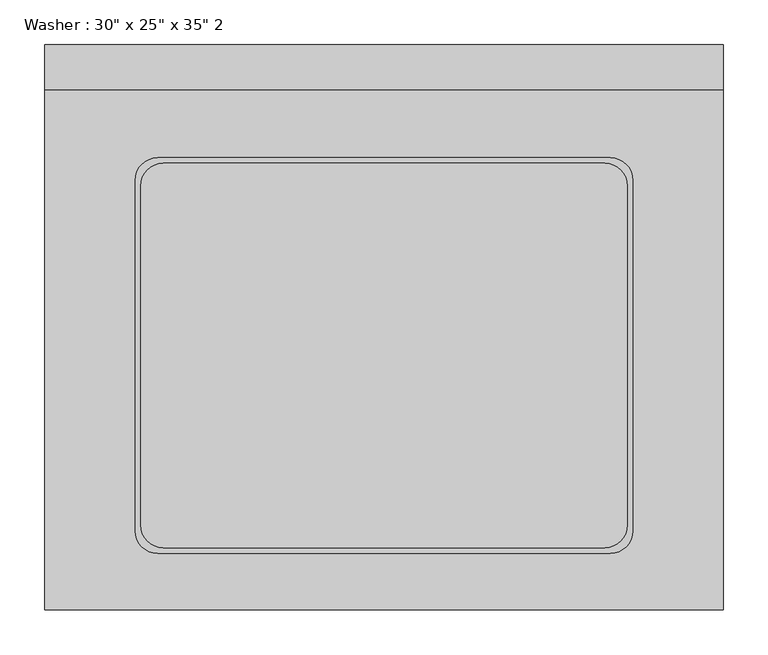
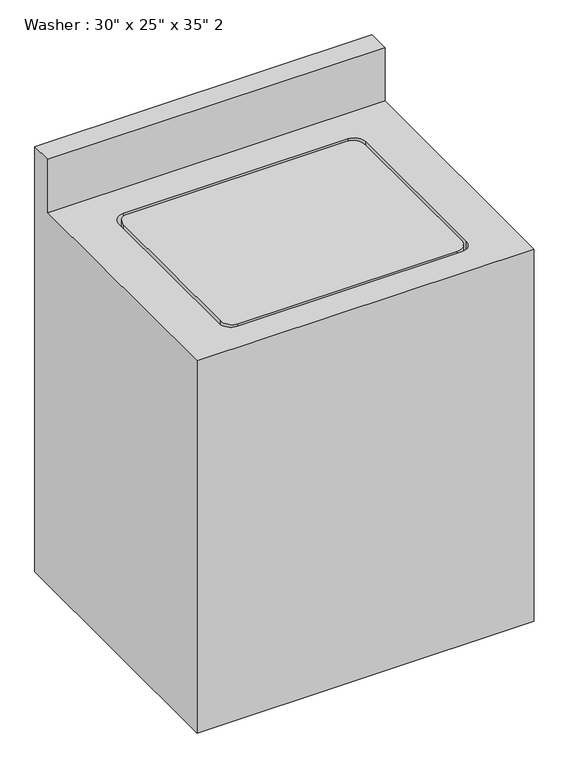
"""IFC4 building model written with IfcOpenShell, lengths in millimetres: proxy geometry."""

from ifc_helpers import new_model, si_unit, point, frame, frame_2d, origin, place, context, project, spatial, polyline, circle_curve, trimmed, segment, composite_curve, outline, extrude, source, transform, mapped, element, save
from ifc_brep_helpers import plane_surface, revolved_surface, advanced_brep


def proxy_04894e72(model_context):
    return source(origin(), model_context, "Body", "SolidModel", [
        extrude(outline(composite_curve([segment(trimmed(circle_curve(frame_2d((210.8674685, 437.8995648)), 25.4), [point((185.4674685, 437.8995648))], [point((210.8674685, 463.2995648))], False, "CARTESIAN"), True, "CONTINUOUS"), segment(polyline([(210.8674685, 463.2995648), (706.1674685, 463.2995648)]), True, "CONTINUOUS"), segment(trimmed(circle_curve(frame_2d((706.1674685, 437.8995648)), 25.4), [point((706.1674685, 463.2995648))], [point((731.5674685, 437.8995648))], False, "CARTESIAN"), True, "CONTINUOUS"), segment(polyline([(731.5674685, 437.8995648), (731.5674685, 56.8995648)]), True, "CONTINUOUS"), segment(trimmed(circle_curve(frame_2d((706.1674685, 56.8995648)), 25.4), [point((731.5674685, 56.8995648))], [point((706.1674685, 31.4995648))], False, "CARTESIAN"), True, "CONTINUOUS"), segment(polyline([(706.1674685, 31.4995648), (210.8674685, 31.4995648)]), True, "CONTINUOUS"), segment(trimmed(circle_curve(frame_2d((210.8674685, 56.8995648)), 25.4), [point((210.8674685, 31.4995648))], [point((185.4674685, 56.8995648))], False, "CARTESIAN"), True, "CONTINUOUS"), segment(polyline([(185.4674685, 56.8995648), (185.4674685, 437.8995648)]), True, "CONTINUOUS")], self_intersect=False)), frame((0.0, 0.0, 863.6), z_axis=(0.0, 0.0, 1.0), x_axis=(1.0, 0.0, 0.0)), (0.0, 0.0, 1.0), 25.4),
        advanced_brep(
        [(77.5174685, 545.8495648, 889.0), (77.5174685, 545.8495648, 1016.0), (77.5174685, 596.6495648, 1016.0), (77.5174685, 596.6495648, 0.0), (77.5174685, -38.3504352, 0.0), (77.5174685, -38.3504352, 889.0), (839.5174685, 596.6495648, 1016.0), (839.5174685, 545.8495648, 1016.0), (839.5174685, 545.8495648, 889.0), (839.5174685, -38.3504352, 889.0), (839.5174685, -38.3504352, 0.0), (839.5174685, 596.6495648, 0.0), (204.5174685, 469.4681955, 889.0), (712.5174685, 469.4681955, 889.0), (737.9174685, 444.0681955, 889.0), (737.9174685, 50.5495648, 889.0), (712.5174685, 25.1495648, 889.0), (204.5174685, 25.1495648, 889.0), (179.1174685, 50.5495648, 889.0), (179.1174685, 444.0681955, 889.0), (712.5174685, 469.4681955, 838.2), (204.5174685, 469.4681955, 838.2), (179.1174685, 444.0681955, 838.2), (179.1174685, 50.5495648, 838.2), (204.5174685, 25.1495648, 838.2), (712.5174685, 25.1495648, 838.2), (737.9174685, 50.5495648, 838.2), (737.9174685, 444.0681955, 838.2)],
        [
            (0, 1),
            (1, 2),
            (2, 3),
            (3, 4),
            (4, 5),
            (5, 0),
            (6, 7),
            (7, 8),
            (8, 9),
            (9, 10),
            (10, 11),
            (11, 6),
            (0, 8),
            (7, 1),
            (6, 2),
            (11, 3),
            (5, 9),
            (12, 13),
            (13, 14, circle_curve(frame((712.5174685, 444.0681955, 889.0), z_axis=(0.0, 0.0, -1.0), x_axis=(0.0, -1.0, 0.0)), 25.4)),
            (14, 15),
            (15, 16, circle_curve(frame((712.5174685, 50.5495648, 889.0), z_axis=(0.0, 0.0, -1.0), x_axis=(0.0, -1.0, 0.0)), 25.4)),
            (16, 17),
            (17, 18, circle_curve(frame((204.5174685, 50.5495648, 889.0), z_axis=(0.0, 0.0, -1.0), x_axis=(0.0, -1.0, 0.0)), 25.4)),
            (18, 19),
            (19, 12, circle_curve(frame((204.5174685, 444.0681955, 889.0), z_axis=(0.0, 0.0, -1.0), x_axis=(0.0, -1.0, 0.0)), 25.4)),
            (10, 4),
            (20, 21),
            (21, 22, circle_curve(frame((204.5174685, 444.0681955, 838.2), z_axis=(0.0, 0.0, 1.0), x_axis=(0.0, -1.0, 0.0)), 25.4)),
            (22, 23),
            (23, 24, circle_curve(frame((204.5174685, 50.5495648, 838.2), z_axis=(0.0, 0.0, 1.0), x_axis=(0.0, -1.0, 0.0)), 25.4)),
            (24, 25),
            (25, 26, circle_curve(frame((712.5174685, 50.5495648, 838.2), z_axis=(0.0, 0.0, 1.0), x_axis=(0.0, -1.0, 0.0)), 25.4)),
            (26, 27),
            (27, 20, circle_curve(frame((712.5174685, 444.0681955, 838.2), z_axis=(0.0, 0.0, 1.0), x_axis=(0.0, -1.0, 0.0)), 25.4)),
            (20, 13),
            (12, 21),
            (19, 22),
            (18, 23),
            (17, 24),
            (16, 25),
            (15, 26),
            (14, 27),
        ],
        [
            plane_surface(frame((77.5174685, 545.8495648, 889.0), z_axis=(-1.0, 0.0, 0.0), x_axis=(0.0, 0.0, 1.0))),
            plane_surface(frame((839.5174685, 545.8495648, 889.0), z_axis=(1.0, 0.0, 0.0), x_axis=(0.0, 0.0, -1.0))),
            plane_surface(frame((77.5174685, 545.8495648, 889.0), z_axis=(0.0, -1.0, 0.0), x_axis=(1.0, 0.0, 0.0))),
            plane_surface(frame((77.5174685, 545.8495648, 1016.0), z_axis=(0.0, 0.0, 1.0), x_axis=(1.0, 0.0, 0.0))),
            plane_surface(frame((77.5174685, 596.6495648, 1016.0), z_axis=(0.0, 1.0, 0.0), x_axis=(1.0, 0.0, 0.0))),
            plane_surface(frame((77.5174685, -38.3504352, 889.0), z_axis=(0.0, 0.0, 1.0), x_axis=(0.0, -1.0, 0.0))),
            plane_surface(frame((77.5174685, -38.3504352, 0.0), z_axis=(0.0, 0.0, -1.0), x_axis=(0.0, 1.0, 0.0))),
            plane_surface(frame((77.5174685, -38.3504352, 889.0), z_axis=(0.0, -1.0, 0.0), x_axis=(0.0, 0.0, -1.0))),
            plane_surface(frame((204.5174685, 469.4681955, 838.2), z_axis=(0.0, 0.0, 1.0), x_axis=(1.0, 0.0, 0.0))),
            plane_surface(frame((712.5174685, 469.4681955, 889.0), z_axis=(0.0, -1.0, 0.0), x_axis=(0.0, 0.0, -1.0))),
            revolved_surface(polyline([(204.5174685, 418.6681955, 889.0), (204.5174685, 418.6681955, 838.2)]), (204.5174685, 444.0681955, 838.2), (0.0, 0.0, 1.0)),
            plane_surface(frame((179.1174685, 444.0681955, 889.0), z_axis=(1.0, 0.0, 0.0), x_axis=(0.0, 0.0, -1.0))),
            revolved_surface(polyline([(204.5174685, 25.1495648, 889.0), (204.5174685, 25.1495648, 838.2)]), (204.5174685, 50.5495648, 838.2), (0.0, 0.0, 1.0)),
            plane_surface(frame((204.5174685, 25.1495648, 889.0), z_axis=(0.0, 1.0, 0.0), x_axis=(0.0, 0.0, -1.0))),
            revolved_surface(polyline([(712.5174685, 25.1495648, 889.0), (712.5174685, 25.1495648, 838.2)]), (712.5174685, 50.5495648, 838.2), (0.0, 0.0, 1.0)),
            plane_surface(frame((737.9174685, 50.5495648, 889.0), z_axis=(-1.0, 0.0, 0.0), x_axis=(0.0, 0.0, -1.0))),
            revolved_surface(polyline([(712.5174685, 418.6681955, 889.0), (712.5174685, 418.6681955, 838.2)]), (712.5174685, 444.0681955, 838.2), (0.0, 0.0, 1.0)),
        ],
        [
            (0, [[1, 2, 3, 4, 5, 6]]),
            (1, [[7, 8, 9, 10, 11, 12]]),
            (2, [[-1, 13, -8, 14]]),
            (3, [[-2, -14, -7, 15]]),
            (4, [[-15, -12, 16, -3]]),
            (5, [[17, -9, -13, -6], [18, 19, 20, 21, 22, 23, 24, 25]]),
            (6, [[-16, -11, 26, -4]]),
            (7, [[-17, -5, -26, -10]]),
            (8, [[27, 28, 29, 30, 31, 32, 33, 34]]),
            (9, [[-27, 35, -18, 36]]),
            (10, [[-28, -36, -25, 37]]),
            (11, [[-29, -37, -24, 38]]),
            (12, [[-30, -38, -23, 39]]),
            (13, [[-31, -39, -22, 40]]),
            (14, [[-32, -40, -21, 41]]),
            (15, [[-33, -41, -20, 42]]),
            (16, [[-34, -42, -19, -35]]),
        ],
    ),
    ])


if __name__ == "__main__":
    model = new_model("IFC4")
    model_context = context("Model", 3, world=origin())
    ifc_project = project(units=[si_unit("LENGTHUNIT", "METRE", prefix="MILLI")], contexts=[model_context])
    site = spatial("IfcSite", under=ifc_project)
    building = spatial("IfcBuilding", under=site)
    placement = place(None, origin())
    proxy_shape = proxy_04894e72(model_context)
    element("IfcBuildingElementProxy", 1, Name="Washer : 30\" x 25\" x 35\" 2", ObjectType="Washer : 30\" x 25\" x 35\" 2", at=placement, inside=building, context=model_context, shape_type="MappedRepresentation", body=[
        mapped(proxy_shape, transform((0.0, 0.0, 0.0), x_axis=(1.0, 0.0, 0.0), y_axis=(0.0, 1.0, 0.0), z_axis=(0.0, 0.0, 1.0))),
    ])
    save(model, "model.ifc")
